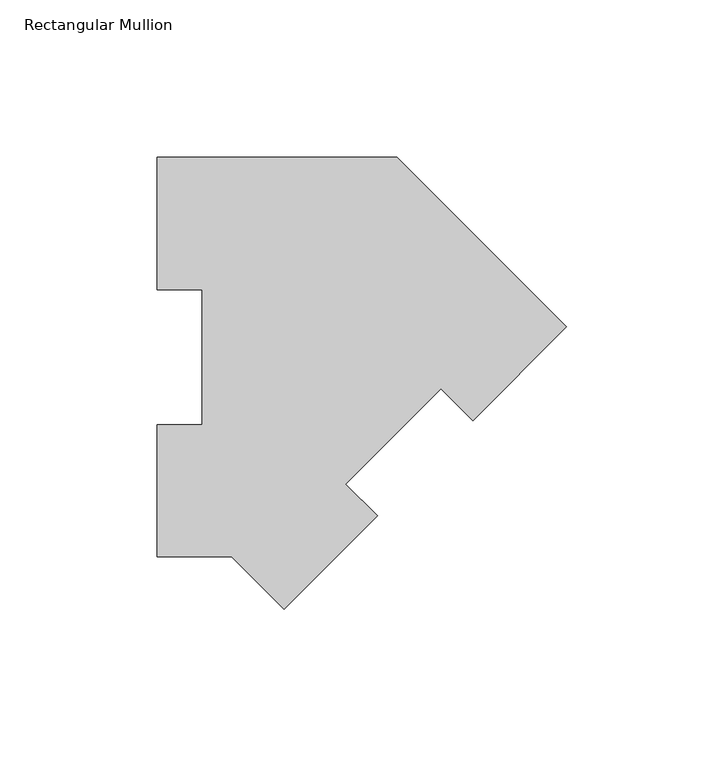
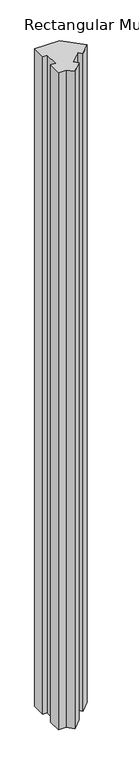
"""IFC4 building model written with IfcOpenShell, lengths in millimetres: member geometry, Rectangular Mullion."""

from ifc_helpers import new_model, si_unit, frame, origin, place, context, project, spatial, polyline, outline, extrude, source, transform, mapped, element, save


def rectangular_mullion_490bc63f(model_context):
    return source(origin(), model_context, "Body", "SweptSolid", [
        extrude(outline(polyline([(-130.0815367, 127.00635), (-53.8815367, 127.00635), (0.0, 73.1248133), (-29.7515885, 43.3732247), (-39.8543767, 53.4760129), (-70.1537608, 23.1766287), (-60.0509727, 13.0738406), (-89.8025612, -16.6777479), (-106.4866591, 0.00635), (-130.0815367, 0.00635), (-130.0815367, 42.08145), (-115.7940367, 42.08145), (-115.7940367, 84.93125), (-130.0815367, 84.93125), (-130.0815367, 127.00635)])), frame((0.0, 0.0, -2133.6), z_axis=(0.0, 0.0, 1.0), x_axis=(1.0, 0.0, 0.0)), (0.0, 0.0, 1.0), 2133.6),
    ])


if __name__ == "__main__":
    model = new_model("IFC4")
    model_context = context("Model", 3, world=origin())
    ifc_project = project(units=[si_unit("LENGTHUNIT", "METRE", prefix="MILLI")], contexts=[model_context])
    site = spatial("IfcSite", under=ifc_project)
    building = spatial("IfcBuilding", under=site)
    placement = place(None, origin())
    rectangular_mullion_shape = rectangular_mullion_490bc63f(model_context)
    element("IfcMember", 1, ObjectType="Rectangular Mullion", at=placement, inside=building, context=model_context, shape_type="MappedRepresentation", body=[
        mapped(rectangular_mullion_shape, transform((0.0, 0.0, 0.0), x_axis=(1.0, 0.0, 0.0), y_axis=(0.0, 1.0, 0.0), z_axis=(0.0, 0.0, 1.0))),
    ])
    save(model, "model.ifc")
